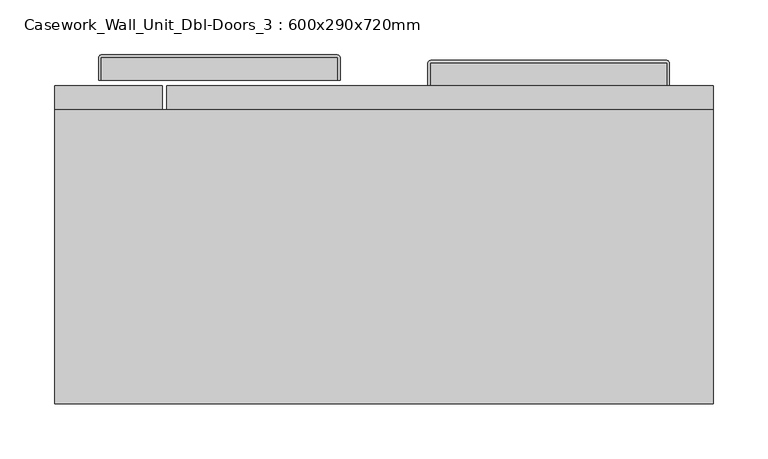
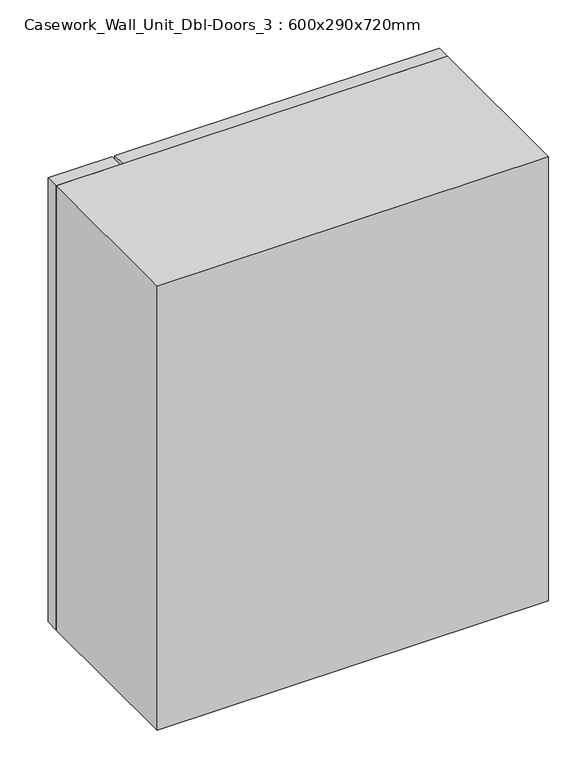
"""IFC4 building model written with IfcOpenShell, lengths in millimetres: furniture geometry, Casework_Wall_Unit_Dbl-Doors_3 : 600x290x720mm."""

from ifc_helpers import new_model, si_unit, point, frame, frame_2d, origin, place, context, project, spatial, polyline, circle_curve, trimmed, segment, composite_curve, outline, extrude, faceted_brep, source, transform, mapped, element, save


def casework_wall_unit_dbl_doors_3_600x290x720mm_57d0726f(model_context):
    return source(origin(), model_context, "Body", "SolidModel", [
        extrude(outline(composite_curve([segment(polyline([(-83.0, 365.0), (-83.0, 385.5)]), True, "CONTINUOUS"), segment(trimmed(circle_curve(frame_2d((-82.5, 385.5)), 0.5), [point((-83.0, 385.5))], [point((-82.5, 386.0))], False, "CARTESIAN"), True, "CONTINUOUS"), segment(polyline([(-82.5, 386.0), (132.5, 386.0)]), True, "CONTINUOUS"), segment(trimmed(circle_curve(frame_2d((132.5, 385.5)), 0.5), [point((132.5, 386.0))], [point((133.0, 385.5))], False, "CARTESIAN"), True, "CONTINUOUS"), segment(polyline([(133.0, 385.5), (133.0, 365.0), (-83.0, 365.0)]), True, "CONTINUOUS")], self_intersect=False)), frame((0.0, 0.0, 1369.5509264), z_axis=(0.0, 0.0, 1.0), x_axis=(1.0, 0.0, 0.0)), (0.0, 0.0, 1.0), 6.4890959),
        extrude(outline(composite_curve([segment(polyline([(-85.0, 365.0), (-85.0, 385.5)]), True, "CONTINUOUS"), segment(trimmed(circle_curve(frame_2d((-82.5, 385.5)), 2.5), [point((-85.0, 385.5))], [point((-82.5, 388.0))], False, "CARTESIAN"), True, "CONTINUOUS"), segment(polyline([(-82.5, 388.0), (132.5, 388.0)]), True, "CONTINUOUS"), segment(trimmed(circle_curve(frame_2d((132.5, 385.5)), 2.5), [point((132.5, 388.0))], [point((135.0, 385.5))], False, "CARTESIAN"), True, "CONTINUOUS"), segment(polyline([(135.0, 385.5), (135.0, 365.0), (133.0, 365.0), (133.0, 385.5)]), True, "CONTINUOUS"), segment(trimmed(circle_curve(frame_2d((132.5, 385.5)), 0.5), [point((133.0, 385.5))], [point((132.5, 386.0))], True, "CARTESIAN"), True, "CONTINUOUS"), segment(polyline([(132.5, 386.0), (-82.5, 386.0)]), True, "CONTINUOUS"), segment(trimmed(circle_curve(frame_2d((-82.5, 385.5)), 0.5), [point((-82.5, 386.0))], [point((-83.0, 385.5))], True, "CARTESIAN"), True, "CONTINUOUS"), segment(polyline([(-83.0, 385.5), (-83.0, 365.0), (-85.0, 365.0)]), True, "CONTINUOUS")], self_intersect=False)), frame((0.0, 0.0, 1366.7855373), z_axis=(0.0, 0.0, 1.0), x_axis=(1.0, 0.0, 0.0)), (0.0, 0.0, 1.0), 12.0),
        extrude(outline(composite_curve([segment(polyline([(217.0, 360.0), (217.0, 380.5)]), True, "CONTINUOUS"), segment(trimmed(circle_curve(frame_2d((217.5, 380.5)), 0.5), [point((217.0, 380.5))], [point((217.5, 381.0))], False, "CARTESIAN"), True, "CONTINUOUS"), segment(polyline([(217.5, 381.0), (432.5, 381.0)]), True, "CONTINUOUS"), segment(trimmed(circle_curve(frame_2d((432.5, 380.5)), 0.5), [point((432.5, 381.0))], [point((433.0, 380.5))], False, "CARTESIAN"), True, "CONTINUOUS"), segment(polyline([(433.0, 380.5), (433.0, 360.0), (217.0, 360.0)]), True, "CONTINUOUS")], self_intersect=False)), frame((0.0, 0.0, 1369.5509264), z_axis=(0.0, 0.0, 1.0), x_axis=(1.0, 0.0, 0.0)), (0.0, 0.0, 1.0), 6.4890959),
        extrude(outline(composite_curve([segment(polyline([(215.0, 360.0), (215.0, 380.5)]), True, "CONTINUOUS"), segment(trimmed(circle_curve(frame_2d((217.5, 380.5)), 2.5), [point((215.0, 380.5))], [point((217.5, 383.0))], False, "CARTESIAN"), True, "CONTINUOUS"), segment(polyline([(217.5, 383.0), (432.5, 383.0)]), True, "CONTINUOUS"), segment(trimmed(circle_curve(frame_2d((432.5, 380.5)), 2.5), [point((432.5, 383.0))], [point((435.0, 380.5))], False, "CARTESIAN"), True, "CONTINUOUS"), segment(polyline([(435.0, 380.5), (435.0, 360.0), (433.0, 360.0), (433.0, 380.5)]), True, "CONTINUOUS"), segment(trimmed(circle_curve(frame_2d((432.5, 380.5)), 0.5), [point((433.0, 380.5))], [point((432.5, 381.0))], True, "CARTESIAN"), True, "CONTINUOUS"), segment(polyline([(432.5, 381.0), (217.5, 381.0)]), True, "CONTINUOUS"), segment(trimmed(circle_curve(frame_2d((217.5, 380.5)), 0.5), [point((217.5, 381.0))], [point((217.0, 380.5))], True, "CARTESIAN"), True, "CONTINUOUS"), segment(polyline([(217.0, 380.5), (217.0, 360.0), (215.0, 360.0)]), True, "CONTINUOUS")], self_intersect=False)), frame((0.0, 0.0, 1366.7855373), z_axis=(0.0, 0.0, 1.0), x_axis=(1.0, 0.0, 0.0)), (0.0, 0.0, 1.0), 12.0),
        faceted_brep([(453.0, 338.0, 1341.7855373), (-103.0, 338.0, 1341.7855373), (-103.0, 92.0, 1341.7855373), (453.0, 92.0, 1341.7855373), (475.0, 338.0, 1319.7855373), (475.0, 70.0, 1319.7855373), (-125.0, 70.0, 1319.7855373), (-125.0, 338.0, 1319.7855373), (-125.0, 338.0, 2039.7855373), (475.0, 338.0, 2039.7855373), (453.0, 338.0, 2017.7855373), (-103.0, 338.0, 2017.7855373), (-125.0, 70.0, 2039.7855373), (475.0, 70.0, 2039.7855373), (453.0, 92.0, 2017.7855373), (-103.0, 92.0, 2017.7855373)], [[[0, 1, 2, 3]], [[4, 5, 6, 7]], [[8, 9, 4, 7], [0, 10, 11, 1]], [[8, 7, 6, 12]], [[12, 6, 5, 13]], [[13, 5, 4, 9]], [[10, 0, 3, 14]], [[14, 3, 2, 15]], [[1, 11, 15, 2]], [[9, 8, 12, 13]], [[11, 10, 14, 15]]]),
        extrude(outline(polyline([(-23.0, 360.0), (475.0, 360.0), (475.0, 338.0), (-23.0, 338.0), (-23.0, 360.0)])), frame((0.0, 0.0, 1319.7855373), z_axis=(0.0, 0.0, 1.0), x_axis=(1.0, 0.0, 0.0)), (0.0, 0.0, 1.0), 720.0),
        extrude(outline(polyline([(-125.0, 360.0), (-27.0, 360.0), (-27.0, 338.0), (-125.0, 338.0), (-125.0, 360.0)])), frame((0.0, 0.0, 1319.7855373), z_axis=(0.0, 0.0, 1.0), x_axis=(1.0, 0.0, 0.0)), (0.0, 0.0, 1.0), 720.0),
    ])


if __name__ == "__main__":
    model = new_model("IFC4")
    model_context = context("Model", 3, world=origin())
    ifc_project = project(units=[si_unit("LENGTHUNIT", "METRE", prefix="MILLI")], contexts=[model_context])
    site = spatial("IfcSite", under=ifc_project)
    building = spatial("IfcBuilding", under=site)
    placement = place(None, origin())
    casework_wall_unit_dbl_doors_3_600x290x720mm_shape = casework_wall_unit_dbl_doors_3_600x290x720mm_57d0726f(model_context)
    element("IfcFurniture", 1, ObjectType="Casework_Wall_Unit_Dbl-Doors_3 : 600x290x720mm", at=placement, inside=building, context=model_context, shape_type="MappedRepresentation", body=[
        mapped(casework_wall_unit_dbl_doors_3_600x290x720mm_shape, transform((0.0, 0.0, 0.0), x_axis=(1.0, 0.0, 0.0), y_axis=(0.0, 1.0, 0.0), z_axis=(0.0, 0.0, 1.0))),
    ])
    save(model, "model.ifc")
